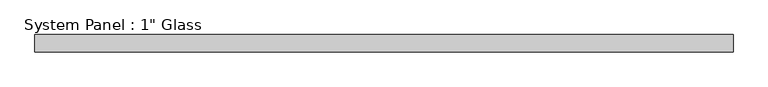
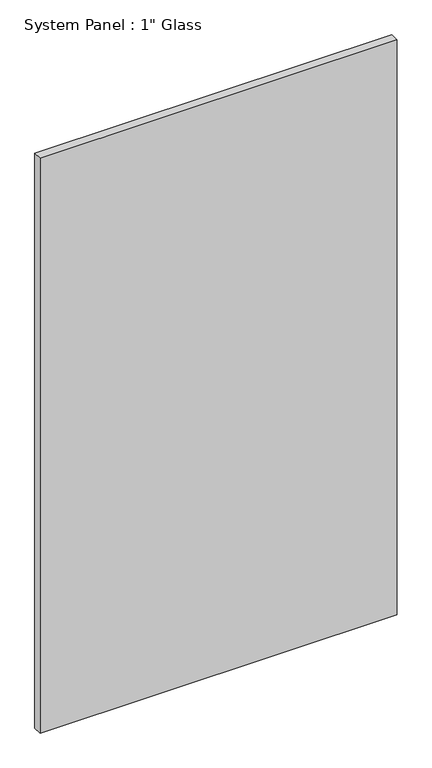
"""IFC4 building model written with IfcOpenShell, lengths in millimetres: plate geometry."""

from ifc_helpers import new_model, si_unit, origin, origin_with_axes, place, context, project, spatial, polyline, outline, extrude, source, transform, mapped, element, save


def plate_a114274a(model_context):
    return source(origin(), model_context, "Body", "SweptSolid", [
        extrude(outline(polyline([(511.175, -12.7), (-511.175, -12.7), (-511.175, 12.7), (511.175, 12.7), (511.175, -12.7)])), origin_with_axes(), (0.0, 0.0, 1.0), 1739.9),
    ])


if __name__ == "__main__":
    model = new_model("IFC4")
    model_context = context("Model", 3, world=origin())
    ifc_project = project(units=[si_unit("LENGTHUNIT", "METRE", prefix="MILLI")], contexts=[model_context])
    site = spatial("IfcSite", under=ifc_project)
    building = spatial("IfcBuilding", under=site)
    placement = place(None, origin())
    plate_shape = plate_a114274a(model_context)
    element("IfcPlate", 1, ObjectType="System Panel : 1\" Glass", at=placement, inside=building, context=model_context, shape_type="MappedRepresentation", body=[
        mapped(plate_shape, transform((0.0, 0.0, 0.0), x_axis=(1.0, 0.0, 0.0), y_axis=(0.0, 1.0, 0.0), z_axis=(0.0, 0.0, 1.0))),
    ])
    save(model, "model.ifc")
